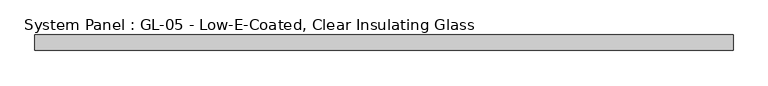
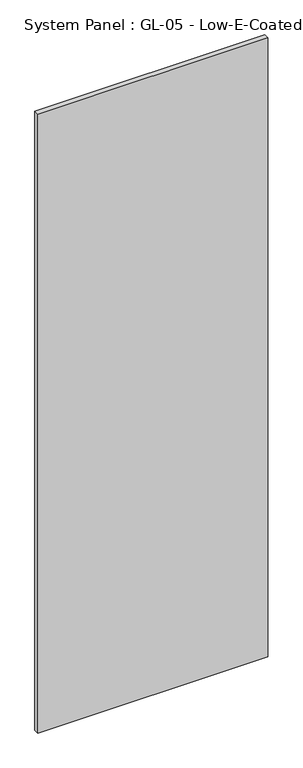
"""IFC4 building model written with IfcOpenShell, lengths in millimetres: plate geometry, System Panel : GL-05 - Low-E-Coated, Clear Insulating Glass."""

from ifc_helpers import new_model, si_unit, origin, origin_with_axes, place, context, project, spatial, polyline, outline, extrude, source, transform, mapped, element, save


def system_panel_gl_05_low_e_coated_clear_insulating_glass_089808ca(model_context):
    return source(origin(), model_context, "Body", "SweptSolid", [
        extrude(outline(polyline([(571.5, -12.7), (-571.5, -12.7), (-571.5, 12.7), (571.5, 12.7), (571.5, -12.7)])), origin_with_axes(), (0.0, 0.0, 1.0), 3251.2),
    ])


if __name__ == "__main__":
    model = new_model("IFC4")
    model_context = context("Model", 3, world=origin())
    ifc_project = project(units=[si_unit("LENGTHUNIT", "METRE", prefix="MILLI")], contexts=[model_context])
    site = spatial("IfcSite", under=ifc_project)
    building = spatial("IfcBuilding", under=site)
    placement = place(None, origin())
    system_panel_gl_05_low_e_coated_clear_insulating_glass_shape = system_panel_gl_05_low_e_coated_clear_insulating_glass_089808ca(model_context)
    element("IfcPlate", 1, ObjectType="System Panel : GL-05 - Low-E-Coated, Clear Insulating Glass", at=placement, inside=building, context=model_context, shape_type="MappedRepresentation", body=[
        mapped(system_panel_gl_05_low_e_coated_clear_insulating_glass_shape, transform((0.0, 0.0, 0.0), x_axis=(1.0, 0.0, 0.0), y_axis=(0.0, 1.0, 0.0), z_axis=(0.0, 0.0, 1.0))),
    ])
    save(model, "model.ifc")
